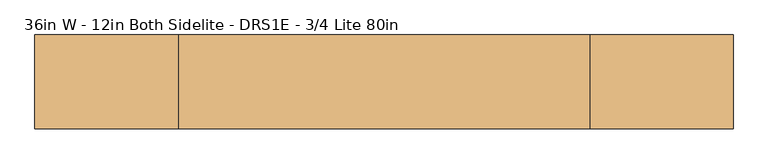
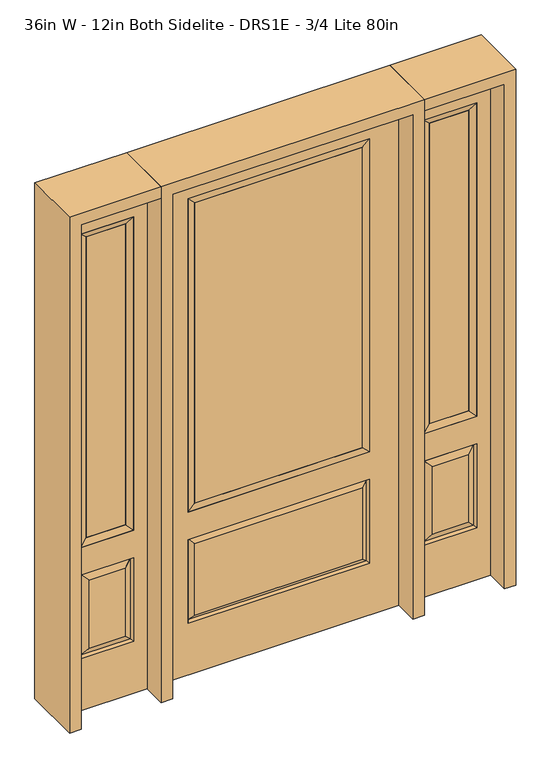
"""IFC4 building model written with IfcOpenShell, lengths in millimetres: door geometry, 36in W - 12in Both Sidelite - DRS1E - 3/4 Lite 80in."""

from ifc_helpers import new_model, si_unit, frame, origin, place, context, project, spatial, polyline, outline, extrude, faceted_brep, source, transform, mapped, element, save


def door_36in_w_12in_both_sidelite_drs1e_3_4_lite_80in_77c669ce(model_context):
    return source(origin(), model_context, "Body", "SolidModel", [
        faceted_brep([(501.65, -22.225, 0.0), (806.45, -22.225, 0.0), (806.45, -22.225, 2032.0), (501.65, -22.225, 2032.0), (754.38, -22.225, 1919.224), (754.38, -22.225, 657.098), (553.72, -22.225, 657.098), (553.72, -22.225, 1919.224), (754.38, -22.225, 209.55), (553.72, -22.225, 209.55), (553.72, -22.225, 546.1), (754.38, -22.225, 546.1), (585.4351001, -22.225, 241.2651001), (722.6648999, -22.225, 241.2651001), (722.6648999, -22.225, 514.3848999), (585.4351001, -22.225, 514.3848999), (501.65, 22.225, 0.0), (501.65, 22.225, 2032.0), (806.45, 22.225, 2032.0), (806.45, 22.225, 0.0), (754.38, 22.225, 1919.224), (553.72, 22.225, 1919.224), (553.72, 22.225, 657.098), (754.38, 22.225, 657.098), (553.72, 22.225, 209.55), (754.38, 22.225, 209.55), (754.38, 22.225, 546.1), (553.72, 22.225, 546.1), (722.6648999, 22.225, 241.2651001), (585.4351001, 22.225, 241.2651001), (585.4351001, 22.225, 514.3848999), (722.6648999, 22.225, 514.3848999), (747.2711499, 12.7912373, 216.6588501), (560.8288501, 12.7912373, 216.6588501), (560.8288501, 12.7912373, 538.9911499), (747.2711499, 12.7912373, 538.9911499), (560.8288501, -12.7912373, 216.6588501), (747.2711499, -12.7912373, 216.6588501), (560.8288501, -12.7912373, 538.9911499), (747.2711499, -12.7912373, 538.9911499)], [[[0, 1, 2, 3], [4, 5, 6, 7], [8, 9, 10, 11]], [[12, 13, 14, 15]], [[16, 17, 18, 19], [20, 21, 22, 23], [24, 25, 26, 27]], [[28, 29, 30, 31]], [[1, 0, 16, 19]], [[2, 1, 19, 18]], [[3, 2, 18, 17]], [[0, 3, 17, 16]], [[5, 4, 20, 23]], [[6, 5, 23, 22]], [[7, 6, 22, 21]], [[4, 7, 21, 20]], [[32, 33, 29, 28]], [[33, 32, 25, 24]], [[29, 33, 34, 30]], [[33, 24, 27, 34]], [[30, 34, 35, 31]], [[34, 27, 26, 35]], [[32, 28, 31, 35]], [[25, 32, 35, 26]], [[12, 36, 37, 13]], [[37, 36, 9, 8]], [[36, 12, 15, 38]], [[9, 36, 38, 10]], [[38, 15, 14, 39]], [[10, 38, 39, 11]], [[13, 37, 39, 14]], [[37, 8, 11, 39]]]),
        faceted_brep([(553.72, 22.225, 1919.224), (553.72, -22.225, 1919.224), (754.38, -22.225, 1919.224), (754.38, 22.225, 1919.224), (579.12, 12.7, 1893.824), (728.98, 12.7, 1893.824), (579.12, -12.7, 1893.824), (728.98, -12.7, 1893.824), (754.38, -22.225, 657.098), (754.38, 22.225, 657.098), (728.98, 12.7, 682.498), (728.98, -12.7, 682.498), (553.72, -22.225, 657.098), (553.72, 22.225, 657.098), (579.12, 12.7, 682.498), (579.12, -12.7, 682.498)], [[[0, 1, 2, 3]], [[4, 0, 3, 5]], [[6, 4, 5, 7]], [[1, 6, 7, 2]], [[3, 2, 8, 9]], [[5, 3, 9, 10]], [[7, 5, 10, 11]], [[2, 7, 11, 8]], [[9, 8, 12, 13]], [[10, 9, 13, 14]], [[11, 10, 14, 15]], [[8, 11, 15, 12]], [[13, 12, 1, 0]], [[14, 13, 0, 4]], [[15, 14, 4, 6]], [[12, 15, 6, 1]]]),
        extrude(outline(polyline([(728.98, -12.7), (579.12, -12.7), (579.12, 12.7), (728.98, 12.7), (728.98, -12.7)])), frame((0.0, 0.0, 682.498), z_axis=(0.0, 0.0, 1.0), x_axis=(1.0, 0.0, 0.0)), (0.0, 0.0, 1.0), 1211.326),
        faceted_brep([(-806.45, -22.225, 0.0), (-501.65, -22.225, 0.0), (-501.65, -22.225, 2032.0), (-806.45, -22.225, 2032.0), (-553.72, -22.225, 1919.224), (-553.72, -22.225, 657.098), (-754.38, -22.225, 657.098), (-754.38, -22.225, 1919.224), (-553.72, -22.225, 209.55), (-754.38, -22.225, 209.55), (-754.38, -22.225, 546.1), (-553.72, -22.225, 546.1), (-722.6648999, -22.225, 241.2651001), (-585.4351001, -22.225, 241.2651001), (-585.4351001, -22.225, 514.3848999), (-722.6648999, -22.225, 514.3848999), (-806.45, 22.225, 0.0), (-806.45, 22.225, 2032.0), (-501.65, 22.225, 2032.0), (-501.65, 22.225, 0.0), (-553.72, 22.225, 1919.224), (-754.38, 22.225, 1919.224), (-754.38, 22.225, 657.098), (-553.72, 22.225, 657.098), (-754.38, 22.225, 209.55), (-553.72, 22.225, 209.55), (-553.72, 22.225, 546.1), (-754.38, 22.225, 546.1), (-585.4351001, 22.225, 241.2651001), (-722.6648999, 22.225, 241.2651001), (-722.6648999, 22.225, 514.3848999), (-585.4351001, 22.225, 514.3848999), (-560.8288501, 12.7912373, 216.6588501), (-747.2711499, 12.7912373, 216.6588501), (-747.2711499, 12.7912373, 538.9911499), (-560.8288501, 12.7912373, 538.9911499), (-747.2711499, -12.7912373, 216.6588501), (-560.8288501, -12.7912373, 216.6588501), (-747.2711499, -12.7912373, 538.9911499), (-560.8288501, -12.7912373, 538.9911499)], [[[0, 1, 2, 3], [4, 5, 6, 7], [8, 9, 10, 11]], [[12, 13, 14, 15]], [[16, 17, 18, 19], [20, 21, 22, 23], [24, 25, 26, 27]], [[28, 29, 30, 31]], [[1, 0, 16, 19]], [[2, 1, 19, 18]], [[3, 2, 18, 17]], [[0, 3, 17, 16]], [[5, 4, 20, 23]], [[6, 5, 23, 22]], [[7, 6, 22, 21]], [[4, 7, 21, 20]], [[32, 33, 29, 28]], [[33, 32, 25, 24]], [[29, 33, 34, 30]], [[33, 24, 27, 34]], [[30, 34, 35, 31]], [[34, 27, 26, 35]], [[32, 28, 31, 35]], [[25, 32, 35, 26]], [[12, 36, 37, 13]], [[37, 36, 9, 8]], [[36, 12, 15, 38]], [[9, 36, 38, 10]], [[38, 15, 14, 39]], [[10, 38, 39, 11]], [[13, 37, 39, 14]], [[37, 8, 11, 39]]]),
        faceted_brep([(-754.38, 22.225, 1919.224), (-754.38, -22.225, 1919.224), (-553.72, -22.225, 1919.224), (-553.72, 22.225, 1919.224), (-728.98, 12.7, 1893.824), (-579.12, 12.7, 1893.824), (-728.98, -12.7, 1893.824), (-579.12, -12.7, 1893.824), (-553.72, -22.225, 657.098), (-553.72, 22.225, 657.098), (-579.12, 12.7, 682.498), (-579.12, -12.7, 682.498), (-754.38, -22.225, 657.098), (-754.38, 22.225, 657.098), (-728.98, 12.7, 682.498), (-728.98, -12.7, 682.498)], [[[0, 1, 2, 3]], [[4, 0, 3, 5]], [[6, 4, 5, 7]], [[1, 6, 7, 2]], [[3, 2, 8, 9]], [[5, 3, 9, 10]], [[7, 5, 10, 11]], [[2, 7, 11, 8]], [[9, 8, 12, 13]], [[10, 9, 13, 14]], [[11, 10, 14, 15]], [[8, 11, 15, 12]], [[13, 12, 1, 0]], [[14, 13, 0, 4]], [[15, 14, 4, 6]], [[12, 15, 6, 1]]]),
        extrude(outline(polyline([(-579.12, -12.7), (-728.98, -12.7), (-728.98, 12.7), (-579.12, 12.7), (-579.12, -12.7)])), frame((0.0, 0.0, 682.498), z_axis=(0.0, 0.0, 1.0), x_axis=(1.0, 0.0, 0.0)), (0.0, 0.0, 1.0), 1211.326),
        faceted_brep([(-338.9661499, -12.7912373, 216.6588501), (338.9661499, -12.7912373, 216.6588501), (321.46875, -22.225, 234.15625), (-321.46875, -22.225, 234.15625), (-346.075, -22.225, 209.55), (346.075, -22.225, 209.55), (-338.9661499, -12.7912373, 538.9911499), (-346.075, -22.225, 546.1), (321.46875, -22.225, 521.49375), (-321.46875, -22.225, 521.49375), (457.2, -22.225, 2032.0), (-457.2, -22.225, 2032.0), (-457.2, -22.225, 0.0), (457.2, -22.225, 0.0), (346.075, -22.225, 546.1), (346.075, -22.225, 1917.7), (346.075, -22.225, 657.098), (-346.075, -22.225, 657.098), (-346.075, -22.225, 1917.7), (338.9661499, -12.7912373, 538.9911499), (-457.2, 22.225, 2032.0), (-457.2, 22.225, 0.0), (457.2, 22.225, 0.0), (457.2, 22.225, 2032.0), (346.075, 22.225, 1917.7), (346.075, 22.225, 657.098), (-346.075, 22.225, 657.098), (-346.075, 22.225, 1917.7), (-346.075, 22.225, 209.55), (346.075, 22.225, 209.55), (346.075, 22.225, 546.1), (-346.075, 22.225, 546.1), (321.46875, 22.225, 234.15625), (-321.46875, 22.225, 234.15625), (-321.46875, 22.225, 521.49375), (321.46875, 22.225, 521.49375), (-338.9661499, 12.7912373, 216.6588501), (338.9661499, 12.7912373, 216.6588501), (338.9661499, 12.7912373, 538.9911499), (-338.9661499, 12.7912373, 538.9911499)], [[[0, 1, 2, 3]], [[1, 0, 4, 5]], [[4, 0, 6, 7]], [[3, 2, 8, 9]], [[10, 11, 12, 13], [5, 4, 7, 14], [15, 16, 17, 18]], [[1, 5, 14, 19]], [[2, 1, 19, 8]], [[0, 3, 9, 6]], [[7, 6, 19, 14]], [[6, 9, 8, 19]], [[12, 11, 20, 21]], [[13, 12, 21, 22]], [[10, 13, 22, 23]], [[16, 15, 24, 25]], [[17, 16, 25, 26]], [[18, 17, 26, 27]], [[23, 22, 21, 20], [28, 29, 30, 31], [24, 27, 26, 25]], [[32, 33, 34, 35]], [[28, 36, 37, 29]], [[29, 37, 38, 30]], [[39, 31, 30, 38]], [[36, 28, 31, 39]], [[37, 36, 33, 32]], [[33, 36, 39, 34]], [[34, 39, 38, 35]], [[37, 32, 35, 38]], [[11, 10, 23, 20]], [[15, 18, 27, 24]]]),
        faceted_brep([(-346.075, -22.225, 1917.7), (-346.075, 22.225, 1917.7), (-346.075, 22.225, 657.098), (-346.075, -22.225, 657.098), (346.075, 22.225, 657.098), (346.075, -22.225, 657.098), (-320.675, 5.08, 682.498), (320.675, 5.08, 682.498), (346.075, 22.225, 1917.7), (346.075, -22.225, 1917.7), (-320.675, -20.32, 682.498), (320.675, -20.32, 682.498), (-320.675, -20.32, 1892.3), (320.675, -20.32, 1892.3), (-320.675, 5.08, 1892.3), (320.675, 5.08, 1892.3)], [[[0, 1, 2, 3]], [[3, 2, 4, 5]], [[2, 6, 7, 4]], [[5, 4, 8, 9]], [[10, 3, 5, 11]], [[12, 0, 3, 10]], [[11, 5, 9, 13]], [[6, 10, 11, 7]], [[14, 12, 10, 6]], [[7, 11, 13, 15]], [[1, 14, 6, 2]], [[4, 7, 15, 8]], [[9, 8, 1, 0]], [[13, 9, 0, 12]], [[15, 13, 12, 14]], [[8, 15, 14, 1]]]),
        extrude(outline(polyline([(320.675, -20.32), (-320.675, -20.32), (-320.675, 5.08), (320.675, 5.08), (320.675, -20.32)])), frame((0.0, 0.0, 682.498), z_axis=(0.0, 0.0, 1.0), x_axis=(1.0, 0.0, 0.0)), (0.0, 0.0, 1.0), 1209.802),
        extrude(outline(polyline([(2032.0, -501.65), (2076.45, -501.65), (2076.45, -850.9), (0.0, -850.9), (0.0, -806.45), (2032.0, -806.45), (2032.0, -501.65)])), frame((0.0, -114.3, 0.0), z_axis=(0.0, 1.0, 0.0), x_axis=(0.0, 0.0, 1.0)), (0.0, 0.0, 1.0), 228.6),
        extrude(outline(polyline([(2076.45, -501.65), (0.0, -501.65), (0.0, -457.2), (2032.0, -457.2), (2032.0, 457.2), (0.0, 457.2), (0.0, 501.65), (2076.45, 501.65), (2076.45, -501.65)])), frame((0.0, -114.3, 0.0), z_axis=(0.0, 1.0, 0.0), x_axis=(0.0, 0.0, 1.0)), (0.0, 0.0, 1.0), 228.6),
        extrude(outline(polyline([(0.0, 806.45), (0.0, 850.9), (2076.45, 850.9), (2076.45, 501.65), (2032.0, 501.65), (2032.0, 806.45), (0.0, 806.45)])), frame((0.0, -114.3, 0.0), z_axis=(0.0, 1.0, 0.0), x_axis=(0.0, 0.0, 1.0)), (0.0, 0.0, 1.0), 228.6),
    ])


if __name__ == "__main__":
    model = new_model("IFC4")
    model_context = context("Model", 3, world=origin())
    ifc_project = project(units=[si_unit("LENGTHUNIT", "METRE", prefix="MILLI")], contexts=[model_context])
    site = spatial("IfcSite", under=ifc_project)
    building = spatial("IfcBuilding", under=site)
    placement = place(None, origin())
    door_36in_w_12in_both_sidelite_drs1e_3_4_lite_80in_shape = door_36in_w_12in_both_sidelite_drs1e_3_4_lite_80in_77c669ce(model_context)
    element("IfcDoor", 1, ObjectType="36in W - 12in Both Sidelite - DRS1E - 3/4 Lite 80in", at=placement, inside=building, context=model_context, shape_type="MappedRepresentation", body=[
        mapped(door_36in_w_12in_both_sidelite_drs1e_3_4_lite_80in_shape, transform((0.0, 0.0, 0.0), x_axis=(1.0, 0.0, 0.0), y_axis=(0.0, 1.0, 0.0), z_axis=(0.0, 0.0, 1.0))),
    ])
    save(model, "model.ifc")
